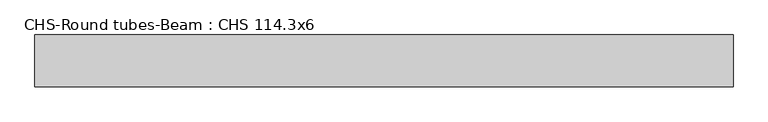
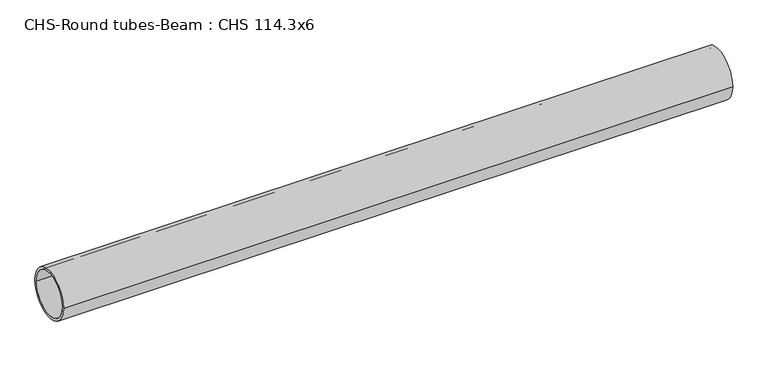
"""IFC4 building model written with IfcOpenShell, lengths in millimetres: beam geometry, CHS-Round tubes-Beam : CHS 114.3x6."""

from ifc_helpers import new_model, si_unit, point, frame, origin, origin_2d, place, context, project, spatial, circle_curve, trimmed, segment, composite_curve, outline, extrude, source, transform, mapped, element, save


def chs_round_tubes_beam_chs_114_3x6_76d416a0(model_context):
    return source(origin(), model_context, "Body", "SweptSolid", [
        extrude(outline(composite_curve([segment(trimmed(circle_curve(origin_2d(), 57.15), [point((57.15, 0.0))], [point((-57.15, 0.0))], False, "CARTESIAN"), True, "CONTINUOUS"), segment(trimmed(circle_curve(origin_2d(), 57.15), [point((-57.15, 0.0))], [point((57.15, 0.0))], False, "CARTESIAN"), True, "CONTINUOUS")], self_intersect=False), holes=[composite_curve([segment(trimmed(circle_curve(origin_2d(), 51.15), [point((51.15, 0.0))], [point((-51.15, 0.0))], True, "CARTESIAN"), True, "CONTINUOUS"), segment(trimmed(circle_curve(origin_2d(), 51.15), [point((-51.15, 0.0))], [point((51.15, 0.0))], True, "CARTESIAN"), True, "CONTINUOUS")], self_intersect=False)]), frame((-782.6793704, 0.0, 0.0), z_axis=(1.0, 0.0, 0.0), x_axis=(0.0, 1.0, 0.0)), (0.0, 0.0, 1.0), 1539.8794904),
    ])


if __name__ == "__main__":
    model = new_model("IFC4")
    model_context = context("Model", 3, world=origin())
    ifc_project = project(units=[si_unit("LENGTHUNIT", "METRE", prefix="MILLI")], contexts=[model_context])
    site = spatial("IfcSite", under=ifc_project)
    building = spatial("IfcBuilding", under=site)
    placement = place(None, origin())
    chs_round_tubes_beam_chs_114_3x6_shape = chs_round_tubes_beam_chs_114_3x6_76d416a0(model_context)
    element("IfcBeam", 1, ObjectType="CHS-Round tubes-Beam : CHS 114.3x6", at=placement, inside=building, context=model_context, shape_type="MappedRepresentation", body=[
        mapped(chs_round_tubes_beam_chs_114_3x6_shape, transform((0.0, 0.0, 0.0), x_axis=(1.0, 0.0, 0.0), y_axis=(0.0, 1.0, 0.0), z_axis=(0.0, 0.0, 1.0))),
    ])
    save(model, "model.ifc")
